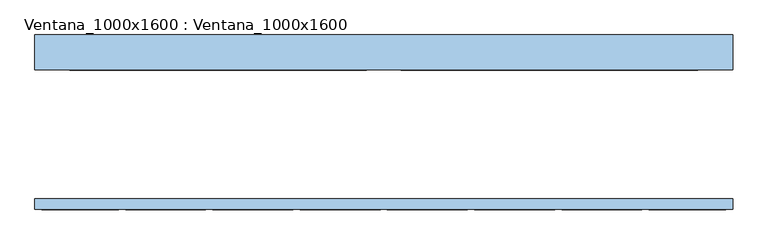
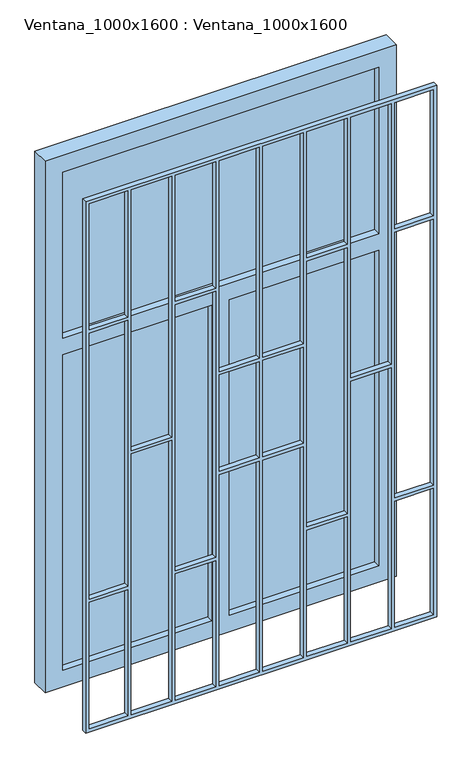
"""IFC4 building model written with IfcOpenShell, lengths in millimetres: window geometry, Ventana_1000x1600 : Ventana_1000x1600."""

from ifc_helpers import new_model, si_unit, frame, origin, place, context, project, spatial, polyline, outline, extrude, source, transform, mapped, element, save


def ventana_1000x1600_ventana_1000x1600_4bf1ee1c(model_context):
    return source(origin(), model_context, "Body", "SweptSolid", [
        extrude(outline(polyline([(-25.0, 105.0), (-25.0, 95.0), (-450.0, 95.0), (-450.0, 105.0), (-25.0, 105.0)])), frame((0.0, 0.0, 850.0), z_axis=(0.0, 0.0, 1.0), x_axis=(1.0, 0.0, 0.0)), (0.0, 0.0, 1.0), 950.0),
        extrude(outline(polyline([(450.0, 105.0), (450.0, 95.0), (25.0, 95.0), (25.0, 105.0), (450.0, 105.0)])), frame((0.0, 0.0, 850.0), z_axis=(0.0, 0.0, 1.0), x_axis=(1.0, 0.0, 0.0)), (0.0, 0.0, 1.0), 950.0),
        extrude(outline(polyline([(450.0, 105.0), (450.0, 95.0), (-450.0, 95.0), (-450.0, 105.0), (450.0, 105.0)])), frame((0.0, 0.0, 1850.0), z_axis=(0.0, 0.0, 1.0), x_axis=(1.0, 0.0, 0.0)), (0.0, 0.0, 1.0), 500.0),
        extrude(outline(polyline([(2400.0, -500.0), (800.0, -500.0), (800.0, 500.0), (2400.0, 500.0), (2400.0, -500.0)]), holes=[polyline([(1800.0, 450.0), (850.0, 450.0), (850.0, 25.0), (1800.0, 25.0), (1800.0, 450.0)]), polyline([(1800.0, -25.0), (850.0, -25.0), (850.0, -450.0), (1800.0, -450.0), (1800.0, -25.0)]), polyline([(2350.0, -450.0), (2350.0, 450.0), (1850.0, 450.0), (1850.0, -450.0), (2350.0, -450.0)])]), frame((0.0, 75.0, 0.0), z_axis=(0.0, 1.0, 0.0), x_axis=(0.0, 0.0, 1.0)), (0.0, 0.0, 1.0), 50.0),
        extrude(outline(polyline([(2400.0, 500.0), (2400.0, -500.0), (800.0, -500.0), (800.0, 500.0), (2400.0, 500.0)]), holes=[polyline([(810.0, -380.0), (810.0, -490.0), (1190.0, -490.0), (1190.0, -380.0), (810.0, -380.0)]), polyline([(1595.0, -255.0), (810.0, -255.0), (810.0, -370.0), (1595.0, -370.0), (1595.0, -255.0)]), polyline([(1190.0, -130.0), (810.0, -130.0), (810.0, -245.0), (1190.0, -245.0), (1190.0, -130.0)]), polyline([(1190.0, 245.0), (810.0, 245.0), (810.0, 130.0), (1190.0, 130.0), (1190.0, 245.0)]), polyline([(1190.0, 490.0), (810.0, 490.0), (810.0, 380.0), (1190.0, 380.0), (1190.0, 490.0)]), polyline([(810.0, 370.0), (810.0, 255.0), (1595.0, 255.0), (1595.0, 370.0), (810.0, 370.0)]), polyline([(810.0, 120.0), (810.0, 5.0), (1445.0, 5.0), (1445.0, 120.0), (810.0, 120.0)]), polyline([(810.0, -5.0), (810.0, -120.0), (1445.0, -120.0), (1445.0, -5.0), (810.0, -5.0)]), polyline([(2390.0, 380.0), (2390.0, 490.0), (2010.0, 490.0), (2010.0, 380.0), (2390.0, 380.0)]), polyline([(2010.0, -490.0), (2390.0, -490.0), (2390.0, -380.0), (2010.0, -380.0), (2010.0, -490.0)]), polyline([(1200.0, -380.0), (1200.0, -490.0), (2000.0, -490.0), (2000.0, -380.0), (1200.0, -380.0)]), polyline([(1605.0, -255.0), (1605.0, -370.0), (2390.0, -370.0), (2390.0, -255.0), (1605.0, -255.0)]), polyline([(1605.0, 370.0), (1605.0, 255.0), (2390.0, 255.0), (2390.0, 370.0), (1605.0, 370.0)]), polyline([(2010.0, 245.0), (2010.0, 130.0), (2390.0, 130.0), (2390.0, 245.0), (2010.0, 245.0)]), polyline([(1755.0, 120.0), (1755.0, 5.0), (2390.0, 5.0), (2390.0, 120.0), (1755.0, 120.0)]), polyline([(1755.0, -5.0), (1755.0, -120.0), (2390.0, -120.0), (2390.0, -5.0), (1755.0, -5.0)]), polyline([(2010.0, -130.0), (2010.0, -245.0), (2390.0, -245.0), (2390.0, -130.0), (2010.0, -130.0)]), polyline([(1200.0, -130.0), (1200.0, -245.0), (2000.0, -245.0), (2000.0, -130.0), (1200.0, -130.0)]), polyline([(1200.0, 245.0), (1200.0, 130.0), (2000.0, 130.0), (2000.0, 245.0), (1200.0, 245.0)]), polyline([(1200.0, 490.0), (1200.0, 380.0), (2000.0, 380.0), (2000.0, 490.0), (1200.0, 490.0)]), polyline([(1745.0, -5.0), (1455.0, -5.0), (1455.0, -120.0), (1745.0, -120.0), (1745.0, -5.0)]), polyline([(1455.0, 120.0), (1455.0, 5.0), (1745.0, 5.0), (1745.0, 120.0), (1455.0, 120.0)])]), frame((0.0, -125.0, 0.0), z_axis=(0.0, 1.0, 0.0), x_axis=(0.0, 0.0, 1.0)), (0.0, 0.0, 1.0), 15.0),
    ])


if __name__ == "__main__":
    model = new_model("IFC4")
    model_context = context("Model", 3, world=origin())
    ifc_project = project(units=[si_unit("LENGTHUNIT", "METRE", prefix="MILLI")], contexts=[model_context])
    site = spatial("IfcSite", under=ifc_project)
    building = spatial("IfcBuilding", under=site)
    placement = place(None, origin())
    ventana_1000x1600_ventana_1000x1600_shape = ventana_1000x1600_ventana_1000x1600_4bf1ee1c(model_context)
    element("IfcWindow", 1, ObjectType="Ventana_1000x1600 : Ventana_1000x1600", at=placement, inside=building, context=model_context, shape_type="MappedRepresentation", body=[
        mapped(ventana_1000x1600_ventana_1000x1600_shape, transform((0.0, 0.0, 0.0), x_axis=(1.0, 0.0, 0.0), y_axis=(0.0, 1.0, 0.0), z_axis=(0.0, 0.0, 1.0))),
    ])
    save(model, "model.ifc")
